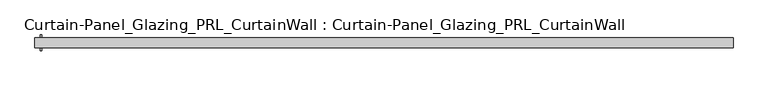
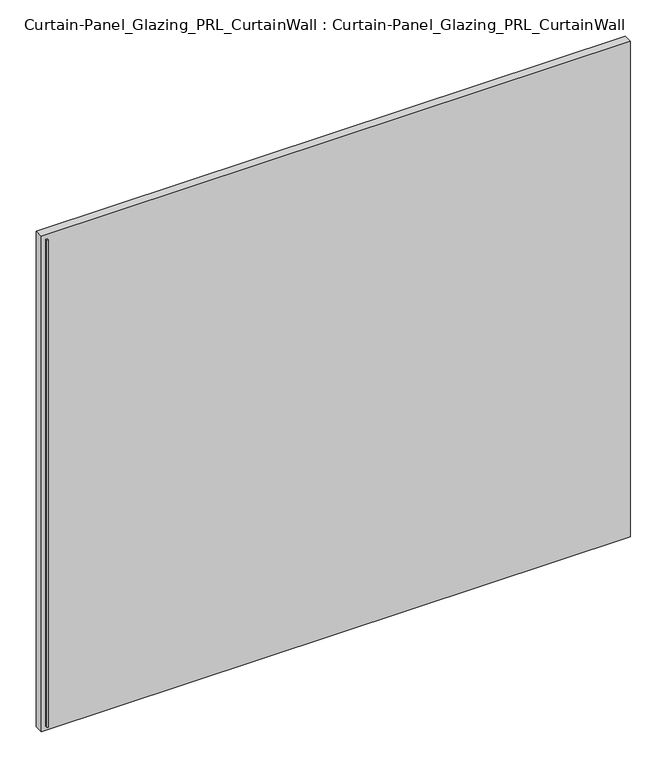
"""IFC4 building model written with IfcOpenShell, lengths in millimetres: plate geometry, Curtain-Panel_Glazing_PRL_CurtainWall : Curtain-Panel_Glazing_PRL_CurtainWall."""

from ifc_helpers import new_model, si_unit, frame, origin, origin_with_axes, place, context, project, spatial, polyline, outline, extrude, source, transform, mapped, element, save


def curtain_panel_glazing_prl_curtainwall_curtain_panel_glazing_8febf5a7(model_context):
    return source(origin(), model_context, "Body", "SweptSolid", [
        extrude(outline(polyline([(-838.99375, -19.05), (-838.99375, -12.7), (-835.025, -12.7), (-835.025, -19.05), (-838.99375, -19.05)])), frame((0.0, 0.0, 12.7), z_axis=(0.0, 0.0, 1.0), x_axis=(1.0, 0.0, 0.0)), (0.0, 0.0, 1.0), 1489.075),
        extrude(outline(polyline([(-838.99375, 19.05), (-835.025, 19.05), (-835.025, 12.7), (-838.99375, 12.7), (-838.99375, 19.05)])), frame((0.0, 0.0, 12.7), z_axis=(0.0, 0.0, 1.0), x_axis=(1.0, 0.0, 0.0)), (0.0, 0.0, 1.0), 1489.075),
        extrude(outline(polyline([(851.69375, 12.7), (851.69375, -12.7), (-851.69375, -12.7), (-851.69375, 12.7), (851.69375, 12.7)])), origin_with_axes(), (0.0, 0.0, 1.0), 1514.475),
    ])


if __name__ == "__main__":
    model = new_model("IFC4")
    model_context = context("Model", 3, world=origin())
    ifc_project = project(units=[si_unit("LENGTHUNIT", "METRE", prefix="MILLI")], contexts=[model_context])
    site = spatial("IfcSite", under=ifc_project)
    building = spatial("IfcBuilding", under=site)
    placement = place(None, origin())
    curtain_panel_glazing_prl_curtainwall_curtain_panel_glazing_shape = curtain_panel_glazing_prl_curtainwall_curtain_panel_glazing_8febf5a7(model_context)
    element("IfcPlate", 1, ObjectType="Curtain-Panel_Glazing_PRL_CurtainWall : Curtain-Panel_Glazing_PRL_CurtainWall", at=placement, inside=building, context=model_context, shape_type="MappedRepresentation", body=[
        mapped(curtain_panel_glazing_prl_curtainwall_curtain_panel_glazing_shape, transform((0.0, 0.0, 0.0), x_axis=(1.0, 0.0, 0.0), y_axis=(0.0, 1.0, 0.0), z_axis=(0.0, 0.0, 1.0))),
    ])
    save(model, "model.ifc")
